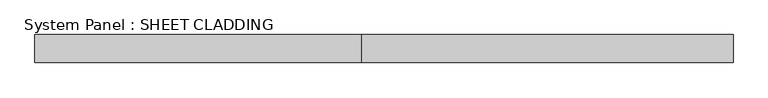
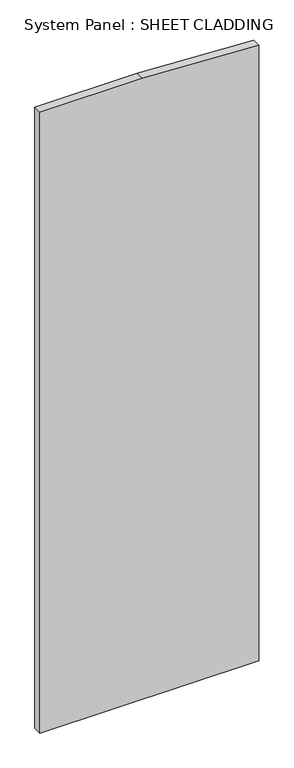
"""IFC4 building model written with IfcOpenShell, lengths in millimetres: plate geometry, System Panel : SHEET CLADDING."""

import ifcopenshell
import ifcopenshell.guid

model = None  # the IFC model being written
_history = None  # IfcOwnerHistory: only IFC2X3 demands one
_inside = {}  # id of a spatial element -> (the spatial element, [elements in it])
_under = {}  # id of a project, library or spatial element -> (it, [spatial elements below it])
_declared = {}  # id of a project -> (the project, [libraries it declares])
_typed = {}  # id of a type object -> (the type object, [elements of that type])
_made_of = {}  # id of a material, layer set ... -> (it, [elements and type objects made of it])


def new_model(schema):
    """Start an empty IFC model of exactly this schema.

    Asked for "IFC4X3", IfcOpenShell would pick the latest addendum, in which some entities
    have other attributes; the version numbers below select the first issue.
    IFC2X3 requires an IfcOwnerHistory on every rooted entity: one is made here for all.
    """
    global model, _history
    if schema == "IFC4X3":
        model = ifcopenshell.file(schema_version=(4, 3, 0, 0))
    else:
        model = ifcopenshell.file(schema=schema)
    _inside.clear()
    _under.clear()
    _declared.clear()
    _typed.clear()
    _made_of.clear()
    _history = None
    if model.schema == "IFC2X3":
        org = make("IfcOrganization", Name="unknown")
        user = make(
            "IfcPersonAndOrganization",
            ThePerson=make("IfcPerson", FamilyName="unknown"),
            TheOrganization=org,
        )
        app = make(
            "IfcApplication",
            ApplicationDeveloper=org,
            Version="unknown",
            ApplicationFullName="unknown",
            ApplicationIdentifier="unknown",
        )
        _history = make(
            "IfcOwnerHistory",
            OwningUser=user,
            OwningApplication=app,
            ChangeAction="ADDED",
            CreationDate=0,
        )
    return model


def make(cls, **values):
    """One entity of the class cls with the attributes given. An attribute that is None is left unset."""
    return model.create_entity(
        cls, **{name: value for name, value in values.items() if value is not None}
    )


def rooted(cls, **values):
    """An entity with a GlobalId (a new one), such as an element, a storey or a relation."""
    return make(cls, GlobalId=ifcopenshell.guid.new(), OwnerHistory=_history, **values)


def si_unit(unit_type, name, prefix=None):
    """IfcSIUnit, for example si_unit("LENGTHUNIT", "METRE", prefix="MILLI")."""
    return make("IfcSIUnit", UnitType=unit_type, Prefix=prefix, Name=name)


def assignment(units):
    """IfcUnitAssignment: the units of a project."""
    return None if units is None else make("IfcUnitAssignment", Units=units)


def point(xyz):
    """IfcCartesianPoint."""
    return None if xyz is None else make("IfcCartesianPoint", Coordinates=xyz)


def direction(xyz):
    """IfcDirection."""
    return None if xyz is None else make("IfcDirection", DirectionRatios=xyz)


def frame(location, z_axis=None, x_axis=None):
    """IfcAxis2Placement3D, a coordinate frame: its origin and axes. An axis left out is left unset."""
    return make(
        "IfcAxis2Placement3D",
        Location=point(location),
        Axis=direction(z_axis),
        RefDirection=direction(x_axis),
    )


def origin():
    """The frame at (0, 0, 0) with its axes left unset."""
    return frame((0.0, 0.0, 0.0))


def place(relative_to, where):
    """IfcLocalPlacement: puts the frame where relative to a parent placement (None: the world)."""
    return make(
        "IfcLocalPlacement", PlacementRelTo=relative_to, RelativePlacement=where
    )


def context(
    kind, dimensions, precision=None, world=None, true_north=None, identifier=None
):
    """IfcGeometricRepresentationContext, for example the 3D "Model" context."""
    return make(
        "IfcGeometricRepresentationContext",
        ContextIdentifier=identifier,
        ContextType=kind,
        CoordinateSpaceDimension=dimensions,
        Precision=precision,
        WorldCoordinateSystem=world,
        TrueNorth=true_north,
    )


def project(units=None, contexts=None):
    """IfcProject with its units and contexts."""
    return rooted(
        "IfcProject",
        Name="project",
        RepresentationContexts=contexts,
        UnitsInContext=assignment(units),
    )


def spatial(cls, under=None, at=None, **own):
    """A site, building, storey or space (cls), placed at a placement, below another one or the project."""
    s = rooted(cls, ObjectPlacement=at, **own)
    if under is not None:
        _under.setdefault(under.id(), (under, []))[1].append(s)
    return s


def polyline(points):
    """IfcPolyline through the points."""
    return make("IfcPolyline", Points=[point(p) for p in points])


def outline(outer, holes=None, kind="AREA"):
    """IfcArbitraryClosedProfileDef: a profile drawn as a closed curve; with holes, ...WithVoids."""
    if holes is None:
        return make("IfcArbitraryClosedProfileDef", ProfileType=kind, OuterCurve=outer)
    return make(
        "IfcArbitraryProfileDefWithVoids",
        ProfileType=kind,
        OuterCurve=outer,
        InnerCurves=holes,
    )


def extrude(swept, where, along, depth):
    """IfcExtrudedAreaSolid: the profile swept, set in the frame where, extruded along a direction by depth."""
    return make(
        "IfcExtrudedAreaSolid",
        SweptArea=swept,
        Position=where,
        ExtrudedDirection=direction(along),
        Depth=depth,
    )


def shape(context_of_items, identifier, shape_type, items):
    """IfcShapeRepresentation: the items that make up one representation, for example the "Body"."""
    return make(
        "IfcShapeRepresentation",
        ContextOfItems=context_of_items,
        RepresentationIdentifier=identifier,
        RepresentationType=shape_type,
        Items=items,
    )


def source(mapping_origin, context_of_items, identifier, shape_type, items):
    """IfcRepresentationMap: a shape defined once, which mapped items show again and again."""
    return make(
        "IfcRepresentationMap",
        MappingOrigin=mapping_origin,
        MappedRepresentation=shape(context_of_items, identifier, shape_type, items),
    )


def transform(
    local_origin,
    x_axis=None,
    y_axis=None,
    z_axis=None,
    scale=None,
    scale2=None,
    scale3=None,
    uniform=True,
):
    """IfcCartesianTransformationOperator3D, or its non-uniform kind. x_axis, y_axis, z_axis: its Axis1, 2, 3."""
    if uniform:
        return make(
            "IfcCartesianTransformationOperator3D",
            Axis1=direction(x_axis),
            Axis2=direction(y_axis),
            LocalOrigin=point(local_origin),
            Scale=scale,
            Axis3=direction(z_axis),
        )
    return make(
        "IfcCartesianTransformationOperator3DnonUniform",
        Axis1=direction(x_axis),
        Axis2=direction(y_axis),
        LocalOrigin=point(local_origin),
        Scale=scale,
        Axis3=direction(z_axis),
        Scale2=scale2,
        Scale3=scale3,
    )


def mapped(mapping_source, mapping_target):
    """IfcMappedItem: shows the shape of a source again, moved by a transform."""
    return make(
        "IfcMappedItem", MappingSource=mapping_source, MappingTarget=mapping_target
    )


def made_of(thing, what):
    """Note that an element or type object is made of a material, layer set ...; save() writes the relation."""
    if what is not None:
        _made_of.setdefault(what.id(), (what, []))[1].append(thing)
    return thing


def element(
    cls,
    number,
    at=None,
    inside=None,
    cuts=None,
    type_object=None,
    material=None,
    context=None,
    identifier="Body",
    shape_type=None,
    held_by="IfcProductDefinitionShape",
    body=None,
    shapes=None,
    **own,
):
    """One element of the class cls, such as IfcWall. Its Tag is "e" and its number.

    at: its placement. inside: the storey or other place that contains it. cuts: it is an
    opening in that element (IfcRelVoidsElement). A single representation is given by context,
    identifier, shape_type and body (its items); several are given by shapes. held_by: the class
    of the entity that holds the representations. save() writes the other relations.
    """
    e = rooted(cls, Tag="e%d" % number, ObjectPlacement=at, **own)
    if body is not None:
        shapes = [shape(context, identifier, shape_type, body)]
    if shapes is not None:
        e.Representation = make(held_by, Representations=shapes)
    if inside is not None:
        _inside.setdefault(inside.id(), (inside, []))[1].append(e)
    if cuts is not None:
        rooted(
            "IfcRelVoidsElement", RelatingBuildingElement=cuts, RelatedOpeningElement=e
        )
    if type_object is not None:
        _typed.setdefault(type_object.id(), (type_object, []))[1].append(e)
    return made_of(e, material)


def aggregate(whole, parts):
    """IfcRelAggregates: a whole, such as a stair, and the parts it consists of."""
    return rooted("IfcRelAggregates", RelatingObject=whole, RelatedObjects=parts)


def save(model, path):
    """Write the relations noted so far, then the file.

    IfcRelAggregates (storeys below a building ...), IfcRelContainedInSpatialStructure (elements
    in a storey), IfcRelDefinesByType, IfcRelAssociatesMaterial and IfcRelDeclares: one each for
    every whole, place, type object, material and project.
    """
    for whole, parts in _under.values():
        aggregate(whole, parts)
    for where, things in _inside.values():
        rooted(
            "IfcRelContainedInSpatialStructure",
            RelatedElements=things,
            RelatingStructure=where,
        )
    for kind, things in _typed.values():
        rooted("IfcRelDefinesByType", RelatedObjects=things, RelatingType=kind)
    for what, things in _made_of.values():
        rooted("IfcRelAssociatesMaterial", RelatedObjects=things, RelatingMaterial=what)
    for by, libraries in _declared.values():
        rooted("IfcRelDeclares", RelatingContext=by, RelatedDefinitions=libraries)
    model.write(path)


def system_panel_sheet_cladding_6cb5e5a2(model_context):
    return source(origin(), model_context, "Body", "SweptSolid", [
        extrude(outline(polyline([(0.0, -750.0), (0.0, 750.0), (4460.1, 750.0), (4500.0, -48.0), (4500.0, -750.0), (0.0, -750.0)])), frame((0.0, -49.5, 0.0), z_axis=(0.0, 1.0, 0.0), x_axis=(0.0, 0.0, 1.0)), (0.0, 0.0, 1.0), 60.0),
    ])


if __name__ == "__main__":
    model = new_model("IFC4")
    model_context = context("Model", 3, world=origin())
    ifc_project = project(units=[si_unit("LENGTHUNIT", "METRE", prefix="MILLI")], contexts=[model_context])
    site = spatial("IfcSite", under=ifc_project)
    building = spatial("IfcBuilding", under=site)
    placement = place(None, origin())
    system_panel_sheet_cladding_shape = system_panel_sheet_cladding_6cb5e5a2(model_context)
    element("IfcPlate", 1, ObjectType="System Panel : SHEET CLADDING", at=placement, inside=building, context=model_context, shape_type="MappedRepresentation", body=[
        mapped(system_panel_sheet_cladding_shape, transform((0.0, 0.0, 0.0), x_axis=(1.0, 0.0, 0.0), y_axis=(0.0, 1.0, 0.0), z_axis=(0.0, 0.0, 1.0))),
    ])
    save(model, "model.ifc")
